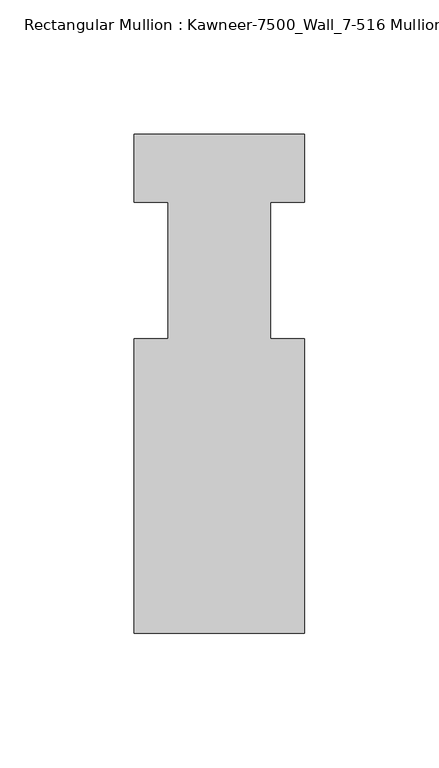
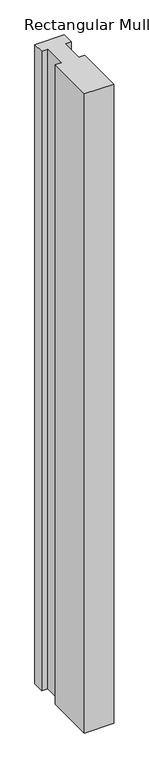
"""IFC4 building model written with IfcOpenShell, lengths in millimetres: member geometry, Rectangular Mullion : Kawneer-7500_Wall_7-516 Mullion_Vertical."""

from ifc_helpers import new_model, si_unit, frame, origin, place, context, project, spatial, polyline, outline, extrude, source, transform, mapped, element, save


def rectangular_mullion_kawneer_7500_wall_7_516_mullion_vertical_d556bcde(model_context):
    return source(origin(), model_context, "Body", "SweptSolid", [
        extrude(outline(polyline([(36.0844027, -134.9375), (-27.4155973, -134.9375), (-27.4155973, -25.4), (-14.7155973, -25.4), (-14.7155973, 25.4), (-27.4155973, 25.4), (-27.4155973, 50.8), (36.0844027, 50.8), (36.0844027, 25.4), (23.3826322, 25.4), (23.3826322, -25.4), (36.0844027, -25.4), (36.0844027, -134.9375)])), frame((0.0, 0.0, -1463.04), z_axis=(0.0, 0.0, 1.0), x_axis=(1.0, 0.0, 0.0)), (0.0, 0.0, 1.0), 1463.04),
    ])


if __name__ == "__main__":
    model = new_model("IFC4")
    model_context = context("Model", 3, world=origin())
    ifc_project = project(units=[si_unit("LENGTHUNIT", "METRE", prefix="MILLI")], contexts=[model_context])
    site = spatial("IfcSite", under=ifc_project)
    building = spatial("IfcBuilding", under=site)
    placement = place(None, origin())
    rectangular_mullion_kawneer_7500_wall_7_516_mullion_vertical_shape = rectangular_mullion_kawneer_7500_wall_7_516_mullion_vertical_d556bcde(model_context)
    element("IfcMember", 1, ObjectType="Rectangular Mullion : Kawneer-7500_Wall_7-516 Mullion_Vertical", at=placement, inside=building, context=model_context, shape_type="MappedRepresentation", body=[
        mapped(rectangular_mullion_kawneer_7500_wall_7_516_mullion_vertical_shape, transform((0.0, 0.0, 0.0), x_axis=(1.0, 0.0, 0.0), y_axis=(0.0, 1.0, 0.0), z_axis=(0.0, 0.0, 1.0))),
    ])
    save(model, "model.ifc")
